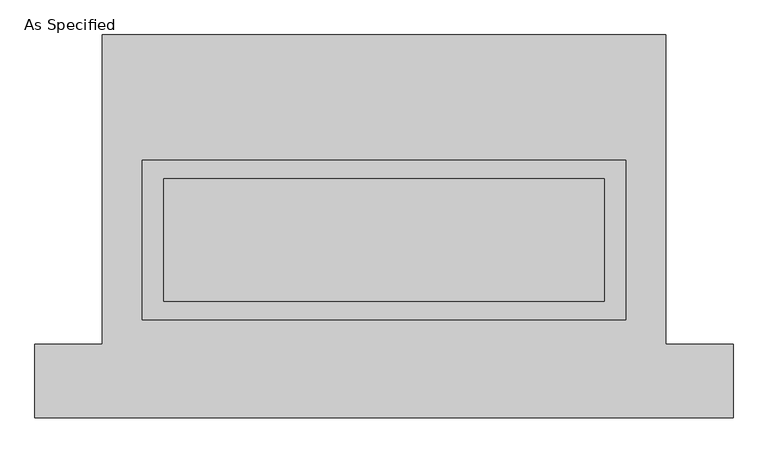
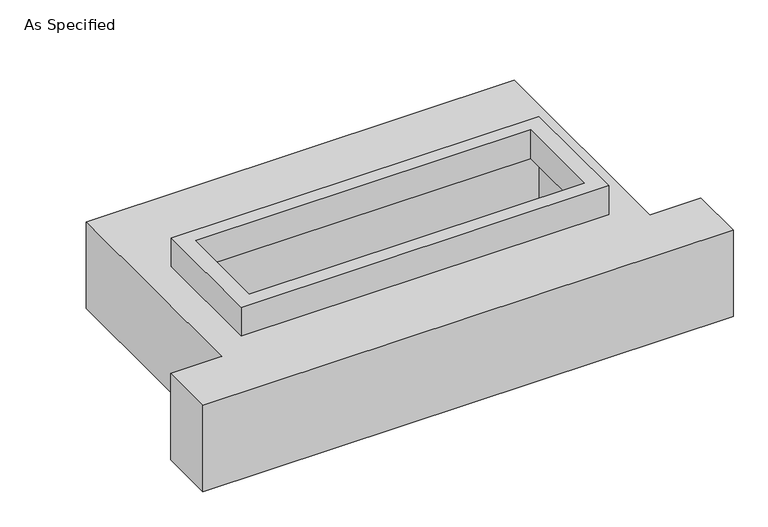
"""IFC4 building model written with IfcOpenShell, lengths in millimetres: proxy geometry, As Specified."""

from ifc_helpers import new_model, si_unit, frame, origin, place, context, project, spatial, polyline, outline, extrude, faceted_brep, source, transform, mapped, element, save


def as_specified_decdab87(model_context):
    return source(origin(), model_context, "Body", "SolidModel", [
        extrude(outline(polyline([(1003.3, 273.05), (1003.3, -387.35), (-1003.3, -387.35), (-1003.3, 273.05), (1003.3, 273.05)]), holes=[polyline([(914.4, 196.85), (-914.4, 196.85), (-914.4, -311.15), (914.4, -311.15), (914.4, 196.85)])]), frame((0.0, 0.0, -25.4), z_axis=(0.0, 0.0, 1.0), x_axis=(1.0, 0.0, 0.0)), (0.0, 0.0, 1.0), 165.1),
        faceted_brep([(-1168.4, 793.75, -523.875), (1168.4, 793.75, -523.875), (1168.4, -488.95, -523.875), (1447.8, -488.95, -523.875), (1447.8, -793.75, -523.875), (-1447.8, -793.75, -523.875), (-1447.8, -488.95, -523.875), (-1168.4, -488.95, -523.875), (1168.4, 793.75, -25.4), (-1168.4, 793.75, -25.4), (-1168.4, -488.95, -25.4), (-1447.8, -488.95, -25.4), (-1447.8, -793.75, -25.4), (1447.8, -793.75, -25.4), (1447.8, -488.95, -25.4), (1168.4, -488.95, -25.4), (-1003.3, -387.35, -25.4), (-1003.3, 273.05, -25.4), (1003.3, 273.05, -25.4), (1003.3, -387.35, -25.4), (1003.3, 273.05, -498.475), (-1003.3, 273.05, -498.475), (-1003.3, -387.35, -498.475), (1003.3, -387.35, -498.475)], [[[0, 1, 2, 3, 4, 5, 6, 7]], [[8, 9, 10, 11, 12, 13, 14, 15], [16, 17, 18, 19]], [[1, 0, 9, 8]], [[9, 0, 7, 10]], [[1, 8, 15, 2]], [[20, 21, 22, 23]], [[22, 21, 17, 16]], [[21, 20, 18, 17]], [[20, 23, 19, 18]], [[23, 22, 16, 19]], [[5, 4, 13, 12]], [[3, 2, 15, 14]], [[4, 3, 14, 13]], [[7, 6, 11, 10]], [[6, 5, 12, 11]]]),
    ])


if __name__ == "__main__":
    model = new_model("IFC4")
    model_context = context("Model", 3, world=origin())
    ifc_project = project(units=[si_unit("LENGTHUNIT", "METRE", prefix="MILLI")], contexts=[model_context])
    site = spatial("IfcSite", under=ifc_project)
    building = spatial("IfcBuilding", under=site)
    placement = place(None, origin())
    as_specified_shape = as_specified_decdab87(model_context)
    element("IfcBuildingElementProxy", 1, Name="As Specified", ObjectType="As Specified", at=placement, inside=building, context=model_context, shape_type="MappedRepresentation", body=[
        mapped(as_specified_shape, transform((0.0, 0.0, 0.0), x_axis=(1.0, 0.0, 0.0), y_axis=(0.0, 1.0, 0.0), z_axis=(0.0, 0.0, 1.0))),
    ])
    save(model, "model.ifc")
